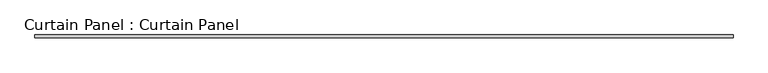
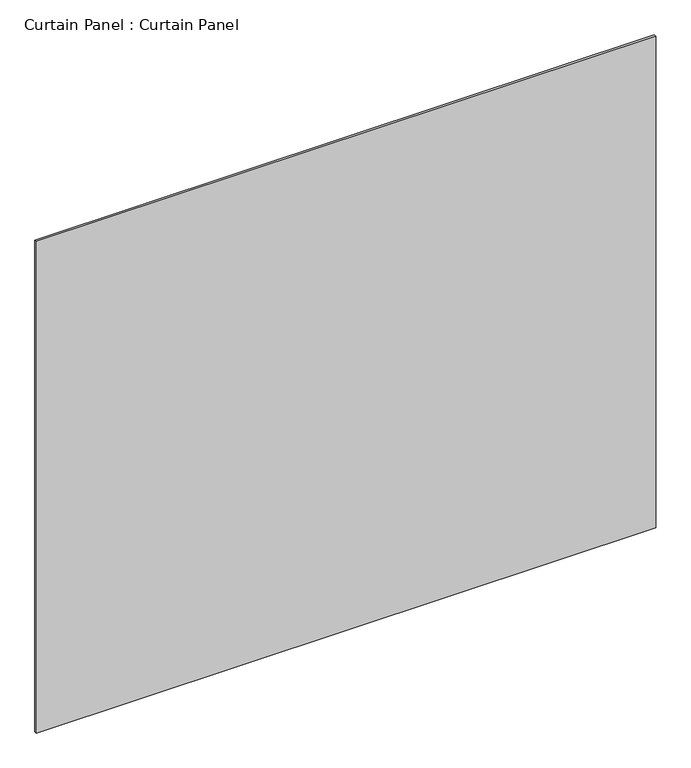
"""IFC4 building model written with IfcOpenShell, lengths in millimetres: plate geometry, Curtain Panel : Curtain Panel."""

from ifc_helpers import new_model, si_unit, frame, origin, place, context, project, spatial, polyline, outline, extrude, source, transform, mapped, element, save


def curtain_panel_curtain_panel_3ab4f644(model_context):
    return source(origin(), model_context, "Body", "SweptSolid", [
        extrude(outline(polyline([(290618.9063541, 2458.8984836), (288942.5063541, 2458.8984836), (288942.5063541, 2465.2484836), (290618.9063541, 2465.2484836), (290618.9063541, 2458.8984836)])), frame((0.0, 0.0, 4919.0109623), z_axis=(0.0, 0.0, 1.0), x_axis=(1.0, 0.0, 0.0)), (0.0, 0.0, 1.0), 1406.4733845),
    ])


if __name__ == "__main__":
    model = new_model("IFC4")
    model_context = context("Model", 3, world=origin())
    ifc_project = project(units=[si_unit("LENGTHUNIT", "METRE", prefix="MILLI")], contexts=[model_context])
    site = spatial("IfcSite", under=ifc_project)
    building = spatial("IfcBuilding", under=site)
    placement = place(None, origin())
    curtain_panel_curtain_panel_shape = curtain_panel_curtain_panel_3ab4f644(model_context)
    element("IfcPlate", 1, ObjectType="Curtain Panel : Curtain Panel", at=placement, inside=building, context=model_context, shape_type="MappedRepresentation", body=[
        mapped(curtain_panel_curtain_panel_shape, transform((0.0, 0.0, 0.0), x_axis=(1.0, 0.0, 0.0), y_axis=(0.0, 1.0, 0.0), z_axis=(0.0, 0.0, 1.0))),
    ])
    save(model, "model.ifc")
